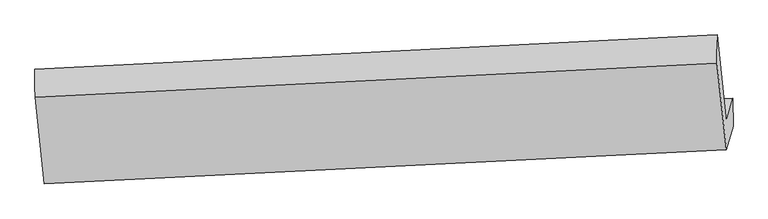
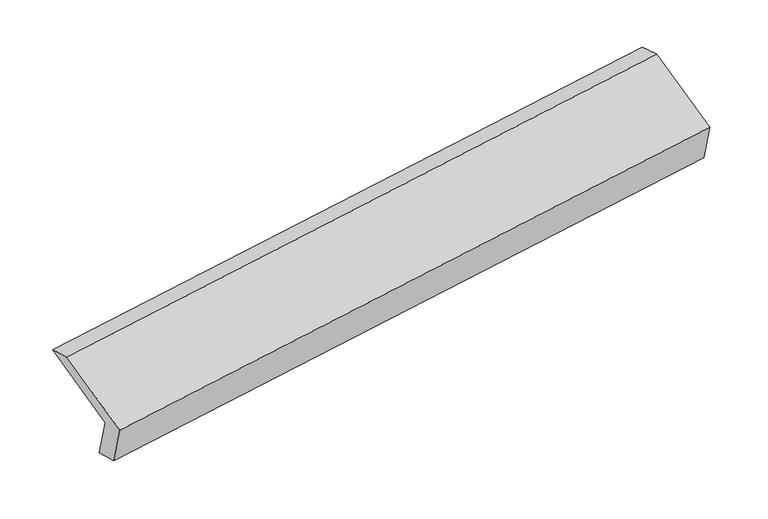
"""IFC4 building model written with IfcOpenShell, lengths in millimetres: proxy geometry."""

from ifc_helpers import new_model, si_unit, frame, origin, place, context, project, spatial, source, transform, mapped, element, save
from ifc_brep_helpers import plane_surface, spline_surface, advanced_brep


def generic_models_c652ae20(model_context):
    return source(origin(), model_context, "Body", "AdvancedBrep", [
        advanced_brep(
        [(-5163.9310869, -1617.8961819, 1225.8438026), (-5210.3863018, -1780.6770299, 1589.8656742), (-499.2421974, -1543.1040168, 2275.2651801), (-453.9441483, -1384.377922, 1920.31083), (-5163.1892007, -1809.761826, 1279.0733749), (-453.2022621, -1576.243566, 1973.5404022), (-5209.6444155, -1972.5426739, 1643.0952464), (-499.6574769, -1739.024414, 2337.5622737), (-5274.6703358, -1374.9595352, 1902.0200647), (-564.6833972, -1141.4412752, 2596.4870921), (-5275.412222, -1183.0938912, 1848.7904925), (-564.2681176, -945.5208781, 2534.1899984)],
        [
            (0, 1),
            (1, 2),
            (2, 3),
            (3, 0),
            (4, 0),
            (3, 5),
            (5, 4),
            (6, 4),
            (5, 7),
            (7, 6),
            (8, 6),
            (7, 9),
            (9, 8),
            (10, 8),
            (9, 11),
            (11, 10),
            (1, 10),
            (11, 2),
        ],
        [
            plane_surface(frame((-5187.1586943, -1699.2866059, 1407.8547384), z_axis=(-0.10349726543460425, 0.9128375241598548, 0.39498857012990385), x_axis=(-0.11571657862175519, -0.4054753129946708, 0.9067521403249893))),
            plane_surface(frame((-5163.5601438, -1713.829004, 1252.4585887), z_axis=(0.15348802406550893, -0.26361517853818217, -0.9523384188998931), x_axis=(-0.0037259379960613167, 0.9635972205793454, -0.2673322163111096))),
            plane_surface(frame((-5186.4168081, -1891.15225, 1461.0843106), z_axis=(0.1034972654346018, -0.9128375241598546, -0.3949885701299045), x_axis=(0.11571657862175459, 0.40547531299467104, -0.9067521403249892))),
            plane_surface(frame((-5242.1573757, -1673.7511046, 1772.5576555), z_axis=(-0.11364293230823069, -0.40538146306499423, 0.9070563121105942), x_axis=(0.09935138404127723, -0.9130314751975626, -0.39560438292269384))),
            spline_surface(1, 1, [[(-5275.412222, -1183.0938912, 1848.7904925), (-564.2681176, -945.5208781, 2534.1899984)], [(-5274.6703358, -1374.9595352, 1902.0200647), (-564.6833972, -1141.4412752, 2596.4870921)]], [2, 2], [2, 2], [0.0, 1.0], [0.0, 1.0]),
            plane_surface(frame((-5242.8992619, -1481.8854605, 1719.3280833), z_axis=(0.11156880407387691, 0.4052858297644911, -0.9073564890105945), x_axis=(-0.09935138404128012, 0.913031475197549, 0.3956043829227244))),
            plane_surface(frame((-505.8329333, -1388.2853454, 2272.8926294), z_axis=(0.9883010553071151, 0.0443090944440935, 0.14593741202442598), x_axis=(0.09935138404127723, -0.9130314751975626, -0.39560438292269384))),
            plane_surface(frame((-5216.2055938, -1623.1551897, 1581.4481092), z_axis=(-0.9883010553071141, -0.044309094444103934, -0.14593741202443022), x_axis=(0.11571657862175429, 0.40547531299467143, -0.9067521403249891))),
        ],
        [
            (0, [[1, 2, 3, 4]]),
            (1, [[5, -4, 6, 7]]),
            (2, [[8, -7, 9, 10]]),
            (3, [[11, -10, 12, 13]]),
            (4, [[14, -13, 15, 16]]),
            (5, [[17, -16, 18, -2]]),
            (6, [[-12, -9, -6, -3, -18, -15]]),
            (7, [[-1, -5, -8, -11, -14, -17]]),
        ],
    ),
    ])


if __name__ == "__main__":
    model = new_model("IFC4")
    model_context = context("Model", 3, world=origin())
    ifc_project = project(units=[si_unit("LENGTHUNIT", "METRE", prefix="MILLI")], contexts=[model_context])
    site = spatial("IfcSite", under=ifc_project)
    building = spatial("IfcBuilding", under=site)
    placement = place(None, origin())
    generic_models_shape = generic_models_c652ae20(model_context)
    element("IfcBuildingElementProxy", 1, Name="Generic Models", at=placement, inside=building, context=model_context, shape_type="MappedRepresentation", body=[
        mapped(generic_models_shape, transform((0.0, 0.0, 0.0), x_axis=(1.0, 0.0, 0.0), y_axis=(0.0, 1.0, 0.0), z_axis=(0.0, 0.0, 1.0))),
    ])
    save(model, "model.ifc")
